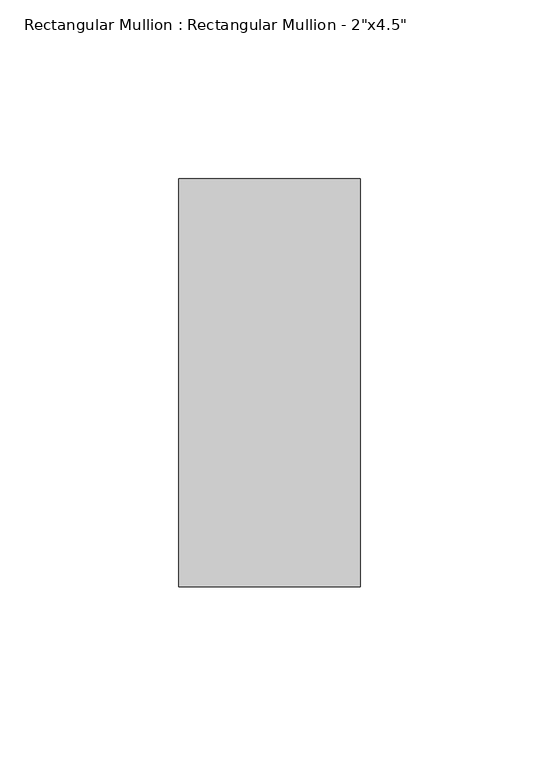
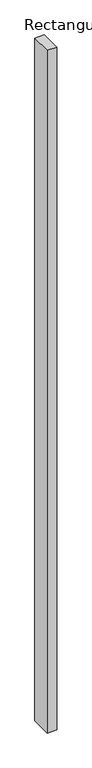
"""IFC4 building model written with IfcOpenShell, lengths in millimetres: member geometry."""

from ifc_helpers import new_model, si_unit, frame, origin, place, context, project, spatial, polyline, outline, extrude, source, transform, mapped, element, save


def member_679a08b6(model_context):
    return source(origin(), model_context, "Body", "SweptSolid", [
        extrude(outline(polyline([(25.4, 57.15), (25.4, -57.15), (-25.4, -57.15), (-25.4, 57.15), (25.4, 57.15)])), frame((0.0, 0.0, -3860.8), z_axis=(0.0, 0.0, 1.0), x_axis=(1.0, 0.0, 0.0)), (0.0, 0.0, 1.0), 3860.8),
    ])


if __name__ == "__main__":
    model = new_model("IFC4")
    model_context = context("Model", 3, world=origin())
    ifc_project = project(units=[si_unit("LENGTHUNIT", "METRE", prefix="MILLI")], contexts=[model_context])
    site = spatial("IfcSite", under=ifc_project)
    building = spatial("IfcBuilding", under=site)
    placement = place(None, origin())
    member_shape = member_679a08b6(model_context)
    element("IfcMember", 1, ObjectType="Rectangular Mullion : Rectangular Mullion - 2\"x4.5\"", at=placement, inside=building, context=model_context, shape_type="MappedRepresentation", body=[
        mapped(member_shape, transform((0.0, 0.0, 0.0), x_axis=(1.0, 0.0, 0.0), y_axis=(0.0, 1.0, 0.0), z_axis=(0.0, 0.0, 1.0))),
    ])
    save(model, "model.ifc")
